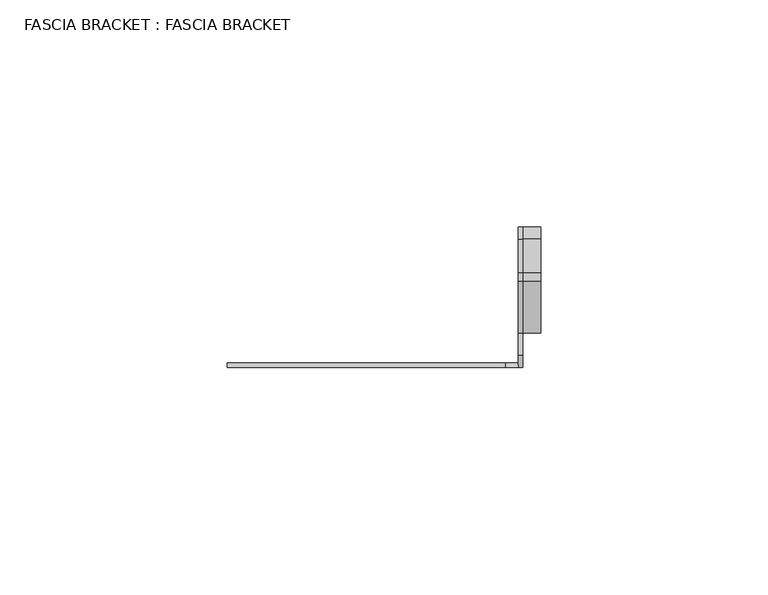
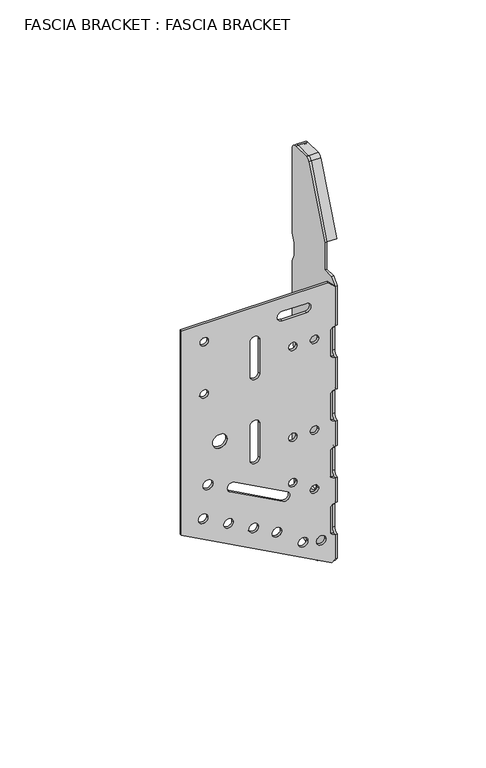
"""IFC4 building model written with IfcOpenShell, lengths in millimetres: proxy geometry, FASCIA BRACKET : FASCIA BRACKET."""

from ifc_helpers import new_model, si_unit, point, frame, frame_2d, origin, place, context, project, spatial, polyline, circle_curve, trimmed, segment, composite_curve, outline, extrude, source, transform, mapped, element, save


def fascia_bracket_fascia_bracket_e865b91b(model_context):
    return source(origin(), model_context, "Body", "SweptSolid", [
        extrude(outline(composite_curve([segment(polyline([(126.0, -64.0418901), (36.0, -64.0418901), (1.9548724, -1.3378749), (3.2811227, 0.0), (14.0004336, 0.0)]), True, "CONTINUOUS"), segment(trimmed(circle_curve(frame_2d((16.0236269, -0.0418901)), 2.0236269), [point((14.0004336, 0.0))], [point((16.0236269, -2.065517))], True, "CARTESIAN"), True, "CONTINUOUS"), segment(polyline([(16.0236269, -2.065517), (25.9763731, -2.065517)]), True, "CONTINUOUS"), segment(trimmed(circle_curve(frame_2d((25.9763731, -0.0418901)), 2.0236269), [point((25.9763731, -2.065517))], [point((27.9995664, 0.0))], True, "CARTESIAN"), True, "CONTINUOUS"), segment(polyline([(27.9995664, 0.0), (39.0004336, 0.0)]), True, "CONTINUOUS"), segment(trimmed(circle_curve(frame_2d((41.0236269, -0.0418901)), 2.0236269), [point((39.0004336, 0.0))], [point((41.0236269, -2.065517))], True, "CARTESIAN"), True, "CONTINUOUS"), segment(polyline([(41.0236269, -2.065517), (50.9763731, -2.065517)]), True, "CONTINUOUS"), segment(trimmed(circle_curve(frame_2d((50.9763731, -0.0418901)), 2.0236269), [point((50.9763731, -2.065517))], [point((52.9995664, 0.0))], True, "CARTESIAN"), True, "CONTINUOUS"), segment(polyline([(52.9995664, 0.0), (64.0004336, 0.0)]), True, "CONTINUOUS"), segment(trimmed(circle_curve(frame_2d((66.0236269, -0.0418901)), 2.0236269), [point((64.0004336, 0.0))], [point((66.0236269, -2.065517))], True, "CARTESIAN"), True, "CONTINUOUS"), segment(polyline([(66.0236269, -2.065517), (75.9763731, -2.065517)]), True, "CONTINUOUS"), segment(trimmed(circle_curve(frame_2d((75.9763731, -0.0418901)), 2.0236269), [point((75.9763731, -2.065517))], [point((77.9995664, 0.0))], True, "CARTESIAN"), True, "CONTINUOUS"), segment(polyline([(77.9995664, 0.0), (92.0004336, 0.0)]), True, "CONTINUOUS"), segment(trimmed(circle_curve(frame_2d((94.0236269, -0.0418901)), 2.0236269), [point((92.0004336, 0.0))], [point((94.0236269, -2.065517))], True, "CARTESIAN"), True, "CONTINUOUS"), segment(polyline([(94.0236269, -2.065517), (103.9763731, -2.065517)]), True, "CONTINUOUS"), segment(trimmed(circle_curve(frame_2d((103.9763731, -0.0418901)), 2.0236269), [point((103.9763731, -2.065517))], [point((105.9995664, 0.0))], True, "CARTESIAN"), True, "CONTINUOUS"), segment(polyline([(105.9995664, 0.0), (123.2762651, 0.0), (126.0, -2.7237349), (126.0, -64.0418901)]), True, "CONTINUOUS")], self_intersect=False), holes=[composite_curve([segment(trimmed(circle_curve(frame_2d((118.0, -54.5101704)), 1.75), [point((118.0, -56.2601704))], [point((118.0, -52.7601704))], True, "CARTESIAN"), True, "CONTINUOUS"), segment(trimmed(circle_curve(frame_2d((118.0, -54.5101704)), 1.75), [point((118.0, -52.7601704))], [point((118.0, -56.2601704))], True, "CARTESIAN"), True, "CONTINUOUS")], self_intersect=False), composite_curve([segment(trimmed(circle_curve(frame_2d((95.0, -54.5101704)), 1.75), [point((95.0, -56.2601704))], [point((95.0, -52.7601704))], True, "CARTESIAN"), True, "CONTINUOUS"), segment(trimmed(circle_curve(frame_2d((95.0, -54.5101704)), 1.75), [point((95.0, -52.7601704))], [point((95.0, -56.2601704))], True, "CARTESIAN"), True, "CONTINUOUS")], self_intersect=False), composite_curve([segment(trimmed(circle_curve(frame_2d((72.0, -47.9979045)), 3.0), [point((72.0, -50.9979045))], [point((72.0, -44.9979045))], True, "CARTESIAN"), True, "CONTINUOUS"), segment(trimmed(circle_curve(frame_2d((72.0, -47.9979045)), 3.0), [point((72.0, -44.9979045))], [point((72.0, -50.9979045))], True, "CARTESIAN"), True, "CONTINUOUS")], self_intersect=False), composite_curve([segment(trimmed(circle_curve(frame_2d((54.5, -52.9517366)), 2.0901535), [point((54.5, -55.0418901))], [point((54.5, -50.861583))], True, "CARTESIAN"), True, "CONTINUOUS"), segment(trimmed(circle_curve(frame_2d((54.5, -52.9517366)), 2.0901535), [point((54.5, -50.861583))], [point((54.5, -55.0418901))], True, "CARTESIAN"), True, "CONTINUOUS")], self_intersect=False), composite_curve([segment(trimmed(circle_curve(frame_2d((40.1676263, -54.9517366)), 2.0), [point((40.1676263, -56.9517366))], [point((40.1676263, -52.9517366))], True, "CARTESIAN"), True, "CONTINUOUS"), segment(trimmed(circle_curve(frame_2d((40.1676263, -54.9517366)), 2.0), [point((40.1676263, -52.9517366))], [point((40.1676263, -56.9517366))], True, "CARTESIAN"), True, "CONTINUOUS")], self_intersect=False), composite_curve([segment(trimmed(circle_curve(frame_2d((34.4417699, -44.4059048)), 2.0), [point((34.4417699, -46.4059048))], [point((34.4417699, -42.4059048))], True, "CARTESIAN"), True, "CONTINUOUS"), segment(trimmed(circle_curve(frame_2d((34.4417699, -44.4059048)), 2.0), [point((34.4417699, -42.4059048))], [point((34.4417699, -46.4059048))], True, "CARTESIAN"), True, "CONTINUOUS")], self_intersect=False), composite_curve([segment(trimmed(circle_curve(frame_2d((28.7159134, -33.860073)), 2.0), [point((28.7159134, -35.860073))], [point((28.7159134, -31.860073))], True, "CARTESIAN"), True, "CONTINUOUS"), segment(trimmed(circle_curve(frame_2d((28.7159134, -33.860073)), 2.0), [point((28.7159134, -31.860073))], [point((28.7159134, -35.860073))], True, "CARTESIAN"), True, "CONTINUOUS")], self_intersect=False), composite_curve([segment(trimmed(circle_curve(frame_2d((23.4672117, -24.1930605)), 2.0), [point((23.4672117, -26.1930605))], [point((23.4672117, -22.1930605))], True, "CARTESIAN"), True, "CONTINUOUS"), segment(trimmed(circle_curve(frame_2d((23.4672117, -24.1930605)), 2.0), [point((23.4672117, -22.1930605))], [point((23.4672117, -26.1930605))], True, "CARTESIAN"), True, "CONTINUOUS")], self_intersect=False), composite_curve([segment(trimmed(circle_curve(frame_2d((15.2572508, -13.2891371)), 2.0), [point((15.2572508, -15.2891371))], [point((15.2572508, -11.2891371))], True, "CARTESIAN"), True, "CONTINUOUS"), segment(trimmed(circle_curve(frame_2d((15.2572508, -13.2891371)), 2.0), [point((15.2572508, -11.2891371))], [point((15.2572508, -15.2891371))], True, "CARTESIAN"), True, "CONTINUOUS")], self_intersect=False), composite_curve([segment(trimmed(circle_curve(frame_2d((13.4571433, -5.7323275)), 2.0), [point((13.4571433, -7.7323275))], [point((13.4571433, -3.7323275))], True, "CARTESIAN"), True, "CONTINUOUS"), segment(trimmed(circle_curve(frame_2d((13.4571433, -5.7323275)), 2.0), [point((13.4571433, -3.7323275))], [point((13.4571433, -7.7323275))], True, "CARTESIAN"), True, "CONTINUOUS")], self_intersect=False), composite_curve([segment(trimmed(circle_curve(frame_2d((103.0, -17.5622042)), 1.75), [point((103.0, -19.3122042))], [point((103.0, -15.8122042))], True, "CARTESIAN"), True, "CONTINUOUS"), segment(trimmed(circle_curve(frame_2d((103.0, -17.5622042)), 1.75), [point((103.0, -15.8122042))], [point((103.0, -19.3122042))], True, "CARTESIAN"), True, "CONTINUOUS")], self_intersect=False), composite_curve([segment(trimmed(circle_curve(frame_2d((103.0, -8.5501839)), 1.75), [point((103.0, -10.3001839))], [point((103.0, -6.8001839))], True, "CARTESIAN"), True, "CONTINUOUS"), segment(trimmed(circle_curve(frame_2d((103.0, -8.5501839)), 1.75), [point((103.0, -6.8001839))], [point((103.0, -10.3001839))], True, "CARTESIAN"), True, "CONTINUOUS")], self_intersect=False), composite_curve([segment(trimmed(circle_curve(frame_2d((63.0, -17.5622042)), 1.75), [point((63.0, -19.3122042))], [point((63.0, -15.8122042))], True, "CARTESIAN"), True, "CONTINUOUS"), segment(trimmed(circle_curve(frame_2d((63.0, -17.5622042)), 1.75), [point((63.0, -15.8122042))], [point((63.0, -19.3122042))], True, "CARTESIAN"), True, "CONTINUOUS")], self_intersect=False), composite_curve([segment(trimmed(circle_curve(frame_2d((63.0, -8.5501839)), 1.75), [point((63.0, -10.3001839))], [point((63.0, -6.8001839))], True, "CARTESIAN"), True, "CONTINUOUS"), segment(trimmed(circle_curve(frame_2d((63.0, -8.5501839)), 1.75), [point((63.0, -6.8001839))], [point((63.0, -10.3001839))], True, "CARTESIAN"), True, "CONTINUOUS")], self_intersect=False), composite_curve([segment(trimmed(circle_curve(frame_2d((43.0, -17.5622042)), 1.75), [point((43.0, -19.3122042))], [point((43.0, -15.8122042))], True, "CARTESIAN"), True, "CONTINUOUS"), segment(trimmed(circle_curve(frame_2d((43.0, -17.5622042)), 1.75), [point((43.0, -15.8122042))], [point((43.0, -19.3122042))], True, "CARTESIAN"), True, "CONTINUOUS")], self_intersect=False), composite_curve([segment(trimmed(circle_curve(frame_2d((37.0, -8.5501839)), 1.75), [point((37.0, -10.3001839))], [point((37.0, -6.8001839))], True, "CARTESIAN"), True, "CONTINUOUS"), segment(trimmed(circle_curve(frame_2d((37.0, -8.5501839)), 1.75), [point((37.0, -6.8001839))], [point((37.0, -10.3001839))], True, "CARTESIAN"), True, "CONTINUOUS")], self_intersect=False), composite_curve([segment(polyline([(96.0236269, -35.4246241), (110.9763731, -35.4246241)]), True, "CONTINUOUS"), segment(trimmed(circle_curve(frame_2d((110.9763731, -33.4009971)), 2.0236269), [point((110.9763731, -35.4246241))], [point((110.9763731, -31.3773702))], True, "CARTESIAN"), True, "CONTINUOUS"), segment(polyline([(110.9763731, -31.3773702), (96.0236269, -31.3773702)]), True, "CONTINUOUS"), segment(trimmed(circle_curve(frame_2d((96.0236269, -33.4009971)), 2.0236269), [point((96.0236269, -31.3773702))], [point((96.0236269, -35.4246241))], True, "CARTESIAN"), True, "CONTINUOUS")], self_intersect=False), composite_curve([segment(polyline([(115.9763731, -12.065517), (115.9763731, -22.0182631)]), True, "CONTINUOUS"), segment(trimmed(circle_curve(frame_2d((118.0, -22.0182631)), 2.0236269), [point((115.9763731, -22.0182631))], [point((120.0236269, -22.0182631))], True, "CARTESIAN"), True, "CONTINUOUS"), segment(polyline([(120.0236269, -22.0182631), (120.0236269, -12.065517)]), True, "CONTINUOUS"), segment(trimmed(circle_curve(frame_2d((118.0, -12.065517)), 2.0236269), [point((120.0236269, -12.065517))], [point((115.9763731, -12.065517))], True, "CARTESIAN"), True, "CONTINUOUS")], self_intersect=False), composite_curve([segment(polyline([(73.9763731, -31.3773702), (59.0236269, -31.3773702)]), True, "CONTINUOUS"), segment(trimmed(circle_curve(frame_2d((59.0236269, -33.4009971)), 2.0236269), [point((59.0236269, -31.3773702))], [point((59.0236269, -35.4246241))], True, "CARTESIAN"), True, "CONTINUOUS"), segment(polyline([(59.0236269, -35.4246241), (73.9763731, -35.4246241)]), True, "CONTINUOUS"), segment(trimmed(circle_curve(frame_2d((73.9763731, -33.4009971)), 2.0236269), [point((73.9763731, -35.4246241))], [point((73.9763731, -31.3773702))], True, "CARTESIAN"), True, "CONTINUOUS")], self_intersect=False), composite_curve([segment(polyline([(51.7189076, -41.8530352), (39.7916838, -19.8855798)]), True, "CONTINUOUS"), segment(trimmed(circle_curve(frame_2d((38.0132813, -20.8511629)), 2.0236269), [point((39.7916838, -19.8855798))], [point((36.2348789, -21.816746))], True, "CARTESIAN"), True, "CONTINUOUS"), segment(polyline([(36.2348789, -21.816746), (48.1621027, -43.7842015)]), True, "CONTINUOUS"), segment(trimmed(circle_curve(frame_2d((49.9405052, -42.8186183)), 2.0236269), [point((48.1621027, -43.7842015))], [point((51.7189076, -41.8530352))], True, "CARTESIAN"), True, "CONTINUOUS")], self_intersect=False)]), frame((0.0, -1.0, 0.0), z_axis=(0.0, 1.0, 0.0), x_axis=(0.0, 0.0, 1.0)), (0.0, 0.0, 1.0), 1.0),
        extrude(outline(composite_curve([segment(polyline([(-1.0, 123.2762651), (1.7237349, 126.0), (6.5581099, 126.0), (6.5581099, 138.0), (18.0552225, 166.7427814)]), True, "CONTINUOUS"), segment(trimmed(circle_curve(frame_2d((19.9121758, 166.0)), 2.0), [point((18.0552225, 166.7427814))], [point((19.9121758, 168.0))], False, "CARTESIAN"), True, "CONTINUOUS"), segment(polyline([(19.9121758, 168.0), (27.2581099, 168.0)]), True, "CONTINUOUS"), segment(trimmed(circle_curve(frame_2d((27.2581099, 165.3)), 2.7), [point((27.2581099, 168.0))], [point((29.9581099, 165.3))], False, "CARTESIAN"), True, "CONTINUOUS"), segment(polyline([(29.9581099, 165.3), (29.9581099, 128.220769), (28.3335471, 124.720769), (28.3335471, 119.279231), (29.9581099, 115.779231), (29.9581099, 81.220769), (28.3335471, 77.720769), (28.3335471, 72.279231), (29.9581099, 68.779231), (29.9581099, 34.220769), (28.3335471, 30.7368828), (28.3335471, 14.8204193), (24.1447612, 10.6316334), (26.8751596, 9.9217299), (24.2955099, 0.0), (11.9581099, -5.428456), (11.9581099, 1.2544381), (0.6823972, 1.2544381), (-1.0, 3.2811227), (-1.0, 14.0004336)]), True, "CONTINUOUS"), segment(trimmed(circle_curve(frame_2d((-1.0418901, 16.0236269)), 2.0236269), [point((-1.0, 14.0004336))], [point((0.9817369, 16.0236269))], True, "CARTESIAN"), True, "CONTINUOUS"), segment(polyline([(0.9817369, 16.0236269), (0.9817369, 25.9763731)]), True, "CONTINUOUS"), segment(trimmed(circle_curve(frame_2d((-1.0418901, 25.9763731)), 2.0236269), [point((0.9817369, 25.9763731))], [point((-1.0, 27.9995664))], True, "CARTESIAN"), True, "CONTINUOUS"), segment(polyline([(-1.0, 27.9995664), (-1.0, 39.0004336)]), True, "CONTINUOUS"), segment(trimmed(circle_curve(frame_2d((-1.0418901, 41.0236269)), 2.0236269), [point((-1.0, 39.0004336))], [point((0.9817369, 41.0236269))], True, "CARTESIAN"), True, "CONTINUOUS"), segment(polyline([(0.9817369, 41.0236269), (0.9817369, 50.9763731)]), True, "CONTINUOUS"), segment(trimmed(circle_curve(frame_2d((-1.0418901, 50.9763731)), 2.0236269), [point((0.9817369, 50.9763731))], [point((-1.0, 52.9995664))], True, "CARTESIAN"), True, "CONTINUOUS"), segment(polyline([(-1.0, 52.9995664), (-1.0, 64.0004336)]), True, "CONTINUOUS"), segment(trimmed(circle_curve(frame_2d((-1.0418901, 66.0236269)), 2.0236269), [point((-1.0, 64.0004336))], [point((0.9817369, 66.0236269))], True, "CARTESIAN"), True, "CONTINUOUS"), segment(polyline([(0.9817369, 66.0236269), (0.9817369, 75.9763731)]), True, "CONTINUOUS"), segment(trimmed(circle_curve(frame_2d((-1.0418901, 75.9763731)), 2.0236269), [point((0.9817369, 75.9763731))], [point((-1.0, 77.9995664))], True, "CARTESIAN"), True, "CONTINUOUS"), segment(polyline([(-1.0, 77.9995664), (-1.0, 92.0004336)]), True, "CONTINUOUS"), segment(trimmed(circle_curve(frame_2d((-1.0418901, 94.0236269)), 2.0236269), [point((-1.0, 92.0004336))], [point((0.9817369, 94.0236269))], True, "CARTESIAN"), True, "CONTINUOUS"), segment(polyline([(0.9817369, 94.0236269), (0.9817369, 103.9763731)]), True, "CONTINUOUS"), segment(trimmed(circle_curve(frame_2d((-1.0418901, 103.9763731)), 2.0236269), [point((0.9817369, 103.9763731))], [point((-1.0, 105.9995664))], True, "CARTESIAN"), True, "CONTINUOUS"), segment(polyline([(-1.0, 105.9995664), (-1.0, 123.2762651)]), True, "CONTINUOUS")], self_intersect=False), holes=[composite_curve([segment(trimmed(circle_curve(frame_2d((15.9581099, 27.0)), 3.0), [point((12.9581099, 27.0))], [point((18.9581099, 27.0))], True, "CARTESIAN"), True, "CONTINUOUS"), segment(trimmed(circle_curve(frame_2d((15.9581099, 27.0)), 3.0), [point((18.9581099, 27.0))], [point((12.9581099, 27.0))], True, "CARTESIAN"), True, "CONTINUOUS")], self_intersect=False)]), frame((0.0, 0.0, 0.0), z_axis=(1.0, 0.0, 0.0), x_axis=(0.0, 1.0, 0.0)), (0.0, 0.0, 1.0), 1.0),
        extrude(outline(composite_curve([segment(polyline([(6.5581099, 138.0), (18.0552225, 166.7427814)]), True, "CONTINUOUS"), segment(trimmed(circle_curve(frame_2d((19.9121758, 166.0)), 2.0), [point((18.0552225, 166.7427814))], [point((19.9121758, 168.0))], False, "CARTESIAN"), True, "CONTINUOUS"), segment(polyline([(19.9121758, 168.0), (27.2581099, 168.0)]), True, "CONTINUOUS"), segment(trimmed(circle_curve(frame_2d((27.2581099, 165.3)), 2.7), [point((27.2581099, 168.0))], [point((29.9581099, 165.3))], False, "CARTESIAN"), True, "CONTINUOUS"), segment(polyline([(29.9581099, 165.3), (29.9581099, 128.220769), (28.3335471, 124.720769), (28.3335471, 119.279231), (29.9581099, 115.779231), (29.9581099, 81.220769), (28.3335471, 77.720769), (28.3335471, 72.279231), (29.9581099, 68.779231), (29.9581099, 34.220769), (28.9581099, 34.220769), (28.9581099, 68.779231), (27.3335471, 72.279231), (27.3335471, 77.720769), (28.9581099, 81.220769), (28.9581099, 115.779231), (27.3335471, 119.279231), (27.3335471, 124.720769), (28.9581099, 128.220769), (28.9581099, 165.3)]), True, "CONTINUOUS"), segment(trimmed(circle_curve(frame_2d((27.2581099, 165.3)), 1.7), [point((28.9581099, 165.3))], [point((27.2581099, 167.0))], True, "CARTESIAN"), True, "CONTINUOUS"), segment(polyline([(27.2581099, 167.0), (19.9121758, 167.0)]), True, "CONTINUOUS"), segment(trimmed(circle_curve(frame_2d((19.9121758, 166.0)), 1.0), [point((19.9121758, 167.0))], [point((18.9836991, 166.3713907))], True, "CARTESIAN"), True, "CONTINUOUS"), segment(polyline([(18.9836991, 166.3713907), (7.4865866, 137.6286093), (6.5581099, 138.0)]), True, "CONTINUOUS")], self_intersect=False)), frame((1.0, 0.0, 0.0), z_axis=(1.0, 0.0, 0.0), x_axis=(0.0, 1.0, 0.0)), (0.0, 0.0, 1.0), 4.0),
    ])


if __name__ == "__main__":
    model = new_model("IFC4")
    model_context = context("Model", 3, world=origin())
    ifc_project = project(units=[si_unit("LENGTHUNIT", "METRE", prefix="MILLI")], contexts=[model_context])
    site = spatial("IfcSite", under=ifc_project)
    building = spatial("IfcBuilding", under=site)
    placement = place(None, origin())
    fascia_bracket_fascia_bracket_shape = fascia_bracket_fascia_bracket_e865b91b(model_context)
    element("IfcBuildingElementProxy", 1, Name="FASCIA BRACKET : FASCIA BRACKET", ObjectType="FASCIA BRACKET : FASCIA BRACKET", at=placement, inside=building, context=model_context, shape_type="MappedRepresentation", body=[
        mapped(fascia_bracket_fascia_bracket_shape, transform((0.0, 0.0, 0.0), x_axis=(1.0, 0.0, 0.0), y_axis=(0.0, 1.0, 0.0), z_axis=(0.0, 0.0, 1.0))),
    ])
    save(model, "model.ifc")
